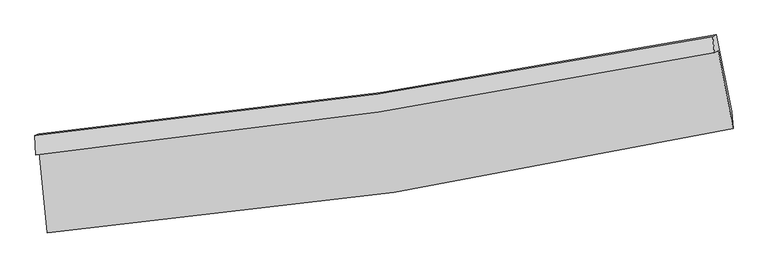
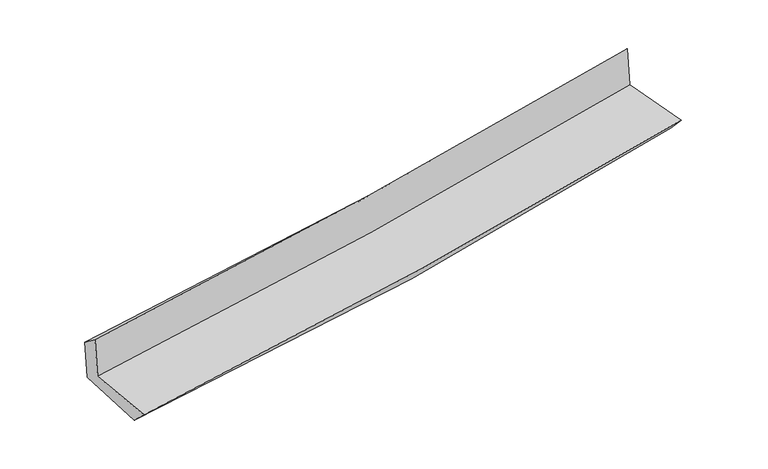
"""IFC4 building model written with IfcOpenShell, lengths in millimetres: proxy geometry."""

from ifc_helpers import new_model, si_unit, frame, origin, place, context, project, spatial, source, transform, mapped, element, save
from ifc_brep_helpers import plane_surface, spline_curve, spline_surface, advanced_brep


def generic_models_b5d2c52b(model_context):
    return source(origin(), model_context, "Body", "AdvancedBrep", [
        advanced_brep(
        [(-2872.981129, -1903.1413776, 1652.175316), (-2805.7756358, -2573.7120919, 1638.809216), (2931.1622556, -1699.3333679, 2134.4994023), (2806.6581433, -1047.2201966, 2146.2485383), (-2905.333936, -1917.8819988, 2046.6621116), (2774.7442694, -1061.7608306, 2535.3833), (-2911.0903142, -1756.1983532, 1927.9646069), (2760.829894, -926.1782093, 2403.4443458), (-2879.7742444, -1741.9300915, 1546.1190383), (2790.0433158, -912.8679583, 2047.2369506), (-2808.6488027, -2407.5864661, 1481.3595862), (2918.1676227, -1554.8291864, 1973.2769925)],
        [
            (0, 1),
            (1, 2, spline_curve(3, [(-2805.7756358, -2573.7120919, 1638.809216), (-1835.608030891, -2493.794541324, 1744.411326666), (-869.574745357, -2380.327432169, 1838.702028336), (1042.638904258, -2088.064639492, 2003.661280974), (1988.918249274, -1910.072173894, 2074.600641815), (2931.1622556, -1699.3333679, 2134.4994023)], [4, 2, 4], [0.0, 9.567782060769296, 19.020337998751877])),
            (2, 3),
            (3, 0, spline_curve(3, [(2806.6581433, -1047.2201966, 2146.2485383), (1872.587783835, -1237.482235668, 2071.329504161), (935.137227712, -1403.654744326, 1992.967628943), (-957.992952233, -1689.552683949, 1828.361002594), (-1913.755486504, -1808.687235814, 1742.031803633), (-2872.981129, -1903.1413776, 1652.175316)], [4, 2, 4], [0.0, 9.45255593798258, 19.020337998751877])),
            (4, 0),
            (3, 5),
            (5, 4, spline_curve(3, [(2774.7442694, -1061.7608306, 2535.3833), (1840.201551577, -1252.238085927, 2466.223860885), (902.477249738, -1418.535318933, 2391.199845043), (-990.80411273, -1704.502140633, 2228.436631176), (-1946.439212513, -1823.578630678, 2140.553584665), (-2905.333936, -1917.8819988, 2046.6621116)], [4, 2, 4], [0.0, 9.403499199069826, 18.92162652205087])),
            (6, 4),
            (5, 7),
            (7, 6, spline_curve(3, [(2760.829894, -926.1782093, 2403.4443458), (1828.347022793, -1109.995659064, 2320.272881044), (892.330504399, -1270.794004896, 2239.290534548), (-998.222889828, -1548.032009676, 2080.743592649), (-1952.846440858, -1663.907045126, 2003.232692773), (-2911.0903142, -1756.1983532, 1927.9646069)], [4, 2, 4], [0.0, 9.392640542970371, 18.899776843447658])),
            (8, 6),
            (7, 9),
            (9, 8, spline_curve(3, [(2790.0433158, -912.8679583, 2047.2369506), (1857.130269903, -1096.881404693, 1969.310726945), (921.070465072, -1257.699472699, 1888.856182403), (-968.79153641, -1534.622464308, 1721.878893949), (-1922.670918491, -1650.158440813, 1635.294134569), (-2879.7742444, -1741.9300915, 1546.1190383)], [4, 2, 4], [0.0, 9.381881356573766, 18.878127316780198])),
            (10, 8),
            (9, 11),
            (11, 10, spline_curve(3, [(2918.1676227, -1554.8291864, 1973.2769925), (1979.297650563, -1760.959824852, 1889.481875405), (1035.548809393, -1934.854226083, 1806.832554349), (-873.27032757, -2219.897358528, 1642.831980685), (-1838.460295127, -2330.255384108, 1561.508833155), (-2808.6488027, -2407.5864661, 1481.3595862)], [4, 2, 4], [0.0, 9.43124363385519, 18.977453594713992])),
            (1, 10),
            (11, 2),
        ],
        [
            spline_surface(3, 3, [[(-2872.981129, -1903.1413776, 1652.175316), (-1913.755486609, -1808.687235803, 1742.031803489), (-957.992952095, -1689.552684103, 1828.361002554), (935.137227576, -1403.654744173, 1992.967628983), (1872.587783831, -1237.482235524, 2071.329504046), (2806.6581433, -1047.2201966, 2146.2485383)], [(-2850.579297945, -2126.664949012, 1647.719949345), (-1887.706334698, -2037.056337601, 1742.824977922), (-928.520216536, -1919.810933484, 1831.80801109), (970.971119824, -1631.791375971, 1996.532179684), (1911.364605664, -1461.678881626, 2072.419883309), (2848.159514058, -1264.591253671, 2142.332159643)], [(-2828.177466855, -2350.188520488, 1643.264582655), (-1861.657182753, -2265.425439464, 1743.618152318), (-899.047480977, -2150.069182788, 1835.255019656), (1006.805012071, -1859.928007694, 2000.096730415), (1950.141427524, -1685.875527815, 2073.510262544), (2889.660884842, -1481.962310829, 2138.415780957)], [(-2805.7756358, -2573.7120919, 1638.809216), (-1835.608030841, -2493.794541262, 1744.411326751), (-869.574745418, -2380.327432169, 1838.702028193), (1042.638904319, -2088.064639492, 2003.661281116), (1988.918249357, -1910.072173918, 2074.600641807), (2931.1622556, -1699.3333679, 2134.4994023)]], [4, 4], [4, 2, 4], [0.0, 2.278988979948737], [0.0, 9.567782060769296, 19.020337998751877]),
            spline_surface(3, 3, [[(-2905.333936, -1917.8819988, 2046.6621116), (-1946.43921243, -1823.578630597, 2140.553584538), (-990.80411268, -1704.502140761, 2228.436631285), (902.477249689, -1418.535318806, 2391.199844935), (1840.201551732, -1252.23808588, 2466.223860946), (2774.7442694, -1061.7608306, 2535.3833)], [(-2894.549666988, -1912.968458423, 1915.166513074), (-1935.544637144, -1818.614832356, 2007.712990862), (-979.867059138, -1699.518988531, 2095.07808839), (913.363908999, -1413.575127251, 2258.455772966), (1850.99696244, -1247.319469112, 2334.592408619), (2785.382227375, -1056.913952617, 2405.671712739)], [(-2883.765398012, -1908.054917977, 1783.670914526), (-1924.650061895, -1813.651034044, 1874.872397165), (-968.930005638, -1694.535836334, 1961.719545449), (924.250568266, -1408.614935729, 2125.711700952), (1861.792373123, -1242.400852292, 2202.960956374), (2796.020185325, -1052.067074583, 2275.960125561)], [(-2872.981129, -1903.1413776, 1652.175316), (-1913.755486609, -1808.687235803, 1742.031803489), (-957.992952095, -1689.552684103, 1828.361002554), (935.137227576, -1403.654744173, 1992.967628983), (1872.587783831, -1237.482235524, 2071.329504046), (2806.6581433, -1047.2201966, 2146.2485383)]], [4, 4], [4, 2, 4], [0.0, 1.3149035712334913], [0.0, 9.518127322981046, 18.92162652205087]),
            spline_surface(3, 3, [[(-2911.0903142, -1756.1983532, 1927.9646069), (-1952.846441009, -1663.907045262, 2003.232692838), (-998.222889918, -1548.032009778, 2080.743592576), (892.330504488, -1270.794004796, 2239.29053462), (1828.347022787, -1109.995659006, 2320.272881178), (2760.829894, -926.1782093, 2403.4443458)], [(-2909.17152149, -1810.092901716, 1967.530441792), (-1950.710698173, -1717.130907023, 2049.006323396), (-995.749964175, -1600.188720114, 2129.974605466), (895.712752885, -1320.041109475, 2289.926971379), (1832.298532411, -1157.409801307, 2368.923207778), (2765.468019109, -971.37241641, 2447.423997211)], [(-2907.25272871, -1863.987450284, 2007.096276708), (-1948.574955266, -1770.354768835, 2094.779953979), (-993.277038423, -1652.345430425, 2179.205618395), (899.095001292, -1369.288214127, 2340.563408177), (1836.250042109, -1204.823943578, 2417.573534346), (2770.106144291, -1016.56662349, 2491.403648589)], [(-2905.333936, -1917.8819988, 2046.6621116), (-1946.43921243, -1823.578630597, 2140.553584538), (-990.80411268, -1704.502140761, 2228.436631285), (902.477249689, -1418.535318806, 2391.199844935), (1840.201551732, -1252.23808588, 2466.223860946), (2774.7442694, -1061.7608306, 2535.3833)]], [4, 4], [4, 2, 4], [0.0, 0.7010681174940727], [0.0, 9.507136300477287, 18.899776843447658]),
            spline_surface(3, 3, [[(-2879.7742444, -1741.9300915, 1546.1190383), (-1922.670918449, -1650.158440936, 1635.294134704), (-968.79153643, -1534.622464407, 1721.878894068), (921.070465092, -1257.699472602, 1888.856182286), (1857.130269805, -1096.881404708, 1969.310727027), (2790.0433158, -912.8679583, 2047.2369506)], [(-2890.21293431, -1746.68617875, 1673.400894491), (-1932.729425946, -1654.741309061, 1757.94032074), (-978.601987605, -1539.092312841, 1841.500460224), (911.490478211, -1262.064316644, 2005.667633051), (1847.53585416, -1101.252822799, 2086.29811174), (2780.305508561, -917.304708625, 2165.972748995)], [(-2900.65162429, -1751.44226595, 1800.682750709), (-1942.787933513, -1659.324177137, 1880.586506802), (-988.412438742, -1543.562161343, 1961.122026419), (901.910491368, -1266.429160754, 2122.479083855), (1837.941438433, -1105.624240914, 2203.285496466), (2770.567701239, -921.741458975, 2284.708547405)], [(-2911.0903142, -1756.1983532, 1927.9646069), (-1952.846441009, -1663.907045262, 2003.232692838), (-998.222889918, -1548.032009778, 2080.743592576), (892.330504488, -1270.794004796, 2239.29053462), (1828.347022787, -1109.995659006, 2320.272881178), (2760.829894, -926.1782093, 2403.4443458)]], [4, 4], [4, 2, 4], [0.0, 1.168434064191734], [0.0, 9.496245960206432, 18.878127316780198]),
            spline_surface(3, 3, [[(-2808.6488027, -2407.5864661, 1481.3595862), (-1838.460295228, -2330.255384041, 1561.508833135), (-873.270327713, -2219.897358572, 1642.831980813), (1035.548809534, -1934.854226041, 1806.832554222), (1979.297650444, -1760.959824952, 1889.481875304), (2918.1676227, -1554.8291864, 1973.2769925)], [(-2832.357283271, -2185.701007888, 1502.946070243), (-1866.530502973, -2103.556402994, 1586.103933668), (-905.110730625, -1991.472393852, 1669.180951915), (997.38936138, -1709.135974896, 1834.173763594), (1938.575190206, -1539.600351542, 1916.091492549), (2875.459520375, -1340.842110372, 1997.930311871)], [(-2856.065763829, -1963.815549712, 1524.532554257), (-1894.600710705, -1876.857421982, 1610.699034171), (-936.951133518, -1763.047429126, 1695.529922966), (959.229913246, -1483.417723746, 1861.514972914), (1897.852730043, -1318.240878118, 1942.701109782), (2832.751418125, -1126.855034328, 2022.583631229)], [(-2879.7742444, -1741.9300915, 1546.1190383), (-1922.670918449, -1650.158440936, 1635.294134704), (-968.79153643, -1534.622464407, 1721.878894068), (921.070465092, -1257.699472602, 1888.856182286), (1857.130269805, -1096.881404708, 1969.310727027), (2790.0433158, -912.8679583, 2047.2369506)]], [4, 4], [4, 2, 4], [0.0, 2.27682501319663], [0.0, 9.546209960858802, 18.977453594713992]),
            spline_surface(3, 3, [[(-2805.7756358, -2573.7120919, 1638.809216), (-1835.608030841, -2493.794541262, 1744.411326751), (-869.574745418, -2380.327432169, 1838.702028193), (1042.638904319, -2088.064639492, 2003.661281116), (1988.918249357, -1910.072173918, 2074.600641807), (2931.1622556, -1699.3333679, 2134.4994023)], [(-2806.733358096, -2518.33688331, 1586.326006055), (-1836.558785634, -2439.281488864, 1683.443828867), (-870.806606175, -2326.850740968, 1773.412012403), (1040.275539398, -2036.994501673, 1938.051705488), (1985.711383076, -1860.368057601, 2012.894386314), (2926.830711323, -1651.165307405, 2080.758599041)], [(-2807.691080404, -2462.96167469, 1533.842796145), (-1837.509540436, -2384.768436438, 1622.476331019), (-872.038466956, -2273.374049773, 1708.121996603), (1037.912174455, -1985.92436386, 1872.44212985), (1982.504516725, -1810.663941269, 1951.188130797), (2922.499166977, -1602.997246895, 2027.017795759)], [(-2808.6488027, -2407.5864661, 1481.3595862), (-1838.460295228, -2330.255384041, 1561.508833135), (-873.270327713, -2219.897358572, 1642.831980813), (1035.548809534, -1934.854226041, 1806.832554222), (1979.297650444, -1760.959824952, 1889.481875304), (2918.1676227, -1554.8291864, 1973.2769925)]], [4, 4], [4, 2, 4], [0.0, 0.8246952217395355], [0.0, 9.606747296409603, 19.097799206309947]),
            plane_surface(frame((2830.2675835, -1200.3649582, 2206.6815883), z_axis=(0.9788043878069764, 0.18530628027858378, 0.08719835376384806), x_axis=(-0.08168134624730986, -0.03721574381556574, 0.9959634260792317))),
            plane_surface(frame((-2863.9340104, -2050.0750632, 1715.5149792), z_axis=(-0.9915833464556321, -0.09768410532745667, -0.08497224604672125), x_axis=(-0.09970216224991316, 0.9948197238233759, 0.019829168784250274))),
        ],
        [
            (0, [[1, 2, 3, 4]]),
            (1, [[5, -4, 6, 7]]),
            (2, [[8, -7, 9, 10]]),
            (3, [[11, -10, 12, 13]]),
            (4, [[14, -13, 15, 16]]),
            (5, [[17, -16, 18, -2]]),
            (6, [[-12, -9, -6, -3, -18, -15]]),
            (7, [[-1, -5, -8, -11, -14, -17]]),
        ],
    ),
    ])


if __name__ == "__main__":
    model = new_model("IFC4")
    model_context = context("Model", 3, world=origin())
    ifc_project = project(units=[si_unit("LENGTHUNIT", "METRE", prefix="MILLI")], contexts=[model_context])
    site = spatial("IfcSite", under=ifc_project)
    building = spatial("IfcBuilding", under=site)
    placement = place(None, origin())
    generic_models_shape = generic_models_b5d2c52b(model_context)
    element("IfcBuildingElementProxy", 1, Name="Generic Models", at=placement, inside=building, context=model_context, shape_type="MappedRepresentation", body=[
        mapped(generic_models_shape, transform((0.0, 0.0, 0.0), x_axis=(1.0, 0.0, 0.0), y_axis=(0.0, 1.0, 0.0), z_axis=(0.0, 0.0, 1.0))),
    ])
    save(model, "model.ifc")
